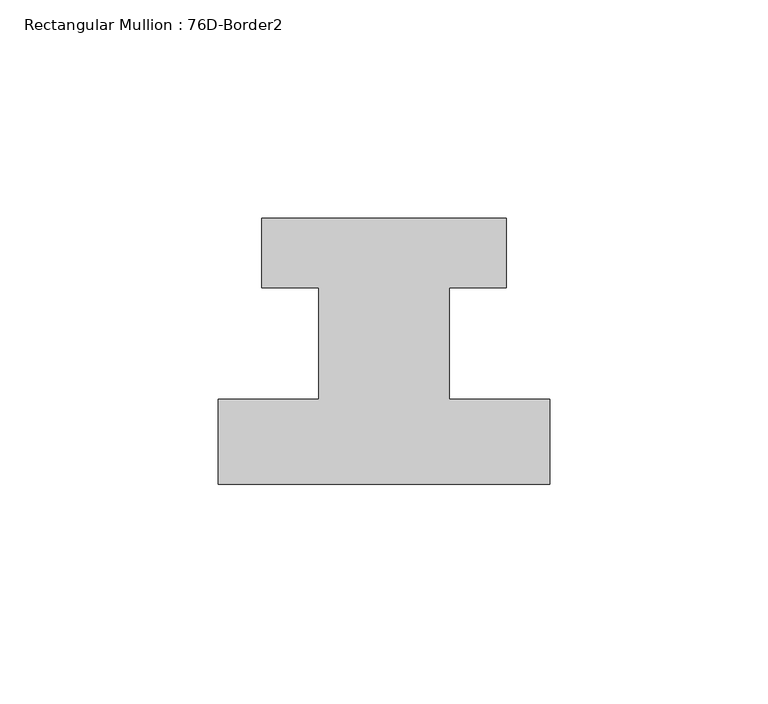
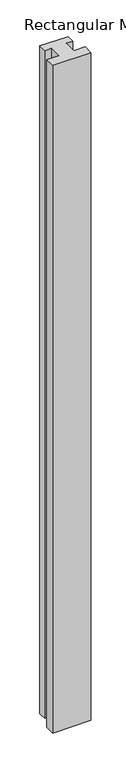
"""IFC4 building model written with IfcOpenShell, lengths in millimetres: member geometry, Rectangular Mullion : 76D-Border2."""

import ifcopenshell
import ifcopenshell.guid

model = None  # the IFC model being written
_history = None  # IfcOwnerHistory: only IFC2X3 demands one
_inside = {}  # id of a spatial element -> (the spatial element, [elements in it])
_under = {}  # id of a project, library or spatial element -> (it, [spatial elements below it])
_declared = {}  # id of a project -> (the project, [libraries it declares])
_typed = {}  # id of a type object -> (the type object, [elements of that type])
_made_of = {}  # id of a material, layer set ... -> (it, [elements and type objects made of it])


def new_model(schema):
    """Start an empty IFC model of exactly this schema.

    Asked for "IFC4X3", IfcOpenShell would pick the latest addendum, in which some entities
    have other attributes; the version numbers below select the first issue.
    IFC2X3 requires an IfcOwnerHistory on every rooted entity: one is made here for all.
    """
    global model, _history
    if schema == "IFC4X3":
        model = ifcopenshell.file(schema_version=(4, 3, 0, 0))
    else:
        model = ifcopenshell.file(schema=schema)
    _inside.clear()
    _under.clear()
    _declared.clear()
    _typed.clear()
    _made_of.clear()
    _history = None
    if model.schema == "IFC2X3":
        org = make("IfcOrganization", Name="unknown")
        user = make(
            "IfcPersonAndOrganization",
            ThePerson=make("IfcPerson", FamilyName="unknown"),
            TheOrganization=org,
        )
        app = make(
            "IfcApplication",
            ApplicationDeveloper=org,
            Version="unknown",
            ApplicationFullName="unknown",
            ApplicationIdentifier="unknown",
        )
        _history = make(
            "IfcOwnerHistory",
            OwningUser=user,
            OwningApplication=app,
            ChangeAction="ADDED",
            CreationDate=0,
        )
    return model


def make(cls, **values):
    """One entity of the class cls with the attributes given. An attribute that is None is left unset."""
    return model.create_entity(
        cls, **{name: value for name, value in values.items() if value is not None}
    )


def rooted(cls, **values):
    """An entity with a GlobalId (a new one), such as an element, a storey or a relation."""
    return make(cls, GlobalId=ifcopenshell.guid.new(), OwnerHistory=_history, **values)


def si_unit(unit_type, name, prefix=None):
    """IfcSIUnit, for example si_unit("LENGTHUNIT", "METRE", prefix="MILLI")."""
    return make("IfcSIUnit", UnitType=unit_type, Prefix=prefix, Name=name)


def assignment(units):
    """IfcUnitAssignment: the units of a project."""
    return None if units is None else make("IfcUnitAssignment", Units=units)


def point(xyz):
    """IfcCartesianPoint."""
    return None if xyz is None else make("IfcCartesianPoint", Coordinates=xyz)


def direction(xyz):
    """IfcDirection."""
    return None if xyz is None else make("IfcDirection", DirectionRatios=xyz)


def frame(location, z_axis=None, x_axis=None):
    """IfcAxis2Placement3D, a coordinate frame: its origin and axes. An axis left out is left unset."""
    return make(
        "IfcAxis2Placement3D",
        Location=point(location),
        Axis=direction(z_axis),
        RefDirection=direction(x_axis),
    )


def origin():
    """The frame at (0, 0, 0) with its axes left unset."""
    return frame((0.0, 0.0, 0.0))


def place(relative_to, where):
    """IfcLocalPlacement: puts the frame where relative to a parent placement (None: the world)."""
    return make(
        "IfcLocalPlacement", PlacementRelTo=relative_to, RelativePlacement=where
    )


def context(
    kind, dimensions, precision=None, world=None, true_north=None, identifier=None
):
    """IfcGeometricRepresentationContext, for example the 3D "Model" context."""
    return make(
        "IfcGeometricRepresentationContext",
        ContextIdentifier=identifier,
        ContextType=kind,
        CoordinateSpaceDimension=dimensions,
        Precision=precision,
        WorldCoordinateSystem=world,
        TrueNorth=true_north,
    )


def project(units=None, contexts=None):
    """IfcProject with its units and contexts."""
    return rooted(
        "IfcProject",
        Name="project",
        RepresentationContexts=contexts,
        UnitsInContext=assignment(units),
    )


def spatial(cls, under=None, at=None, **own):
    """A site, building, storey or space (cls), placed at a placement, below another one or the project."""
    s = rooted(cls, ObjectPlacement=at, **own)
    if under is not None:
        _under.setdefault(under.id(), (under, []))[1].append(s)
    return s


def polyline(points):
    """IfcPolyline through the points."""
    return make("IfcPolyline", Points=[point(p) for p in points])


def outline(outer, holes=None, kind="AREA"):
    """IfcArbitraryClosedProfileDef: a profile drawn as a closed curve; with holes, ...WithVoids."""
    if holes is None:
        return make("IfcArbitraryClosedProfileDef", ProfileType=kind, OuterCurve=outer)
    return make(
        "IfcArbitraryProfileDefWithVoids",
        ProfileType=kind,
        OuterCurve=outer,
        InnerCurves=holes,
    )


def extrude(swept, where, along, depth):
    """IfcExtrudedAreaSolid: the profile swept, set in the frame where, extruded along a direction by depth."""
    return make(
        "IfcExtrudedAreaSolid",
        SweptArea=swept,
        Position=where,
        ExtrudedDirection=direction(along),
        Depth=depth,
    )


def shape(context_of_items, identifier, shape_type, items):
    """IfcShapeRepresentation: the items that make up one representation, for example the "Body"."""
    return make(
        "IfcShapeRepresentation",
        ContextOfItems=context_of_items,
        RepresentationIdentifier=identifier,
        RepresentationType=shape_type,
        Items=items,
    )


def source(mapping_origin, context_of_items, identifier, shape_type, items):
    """IfcRepresentationMap: a shape defined once, which mapped items show again and again."""
    return make(
        "IfcRepresentationMap",
        MappingOrigin=mapping_origin,
        MappedRepresentation=shape(context_of_items, identifier, shape_type, items),
    )


def transform(
    local_origin,
    x_axis=None,
    y_axis=None,
    z_axis=None,
    scale=None,
    scale2=None,
    scale3=None,
    uniform=True,
):
    """IfcCartesianTransformationOperator3D, or its non-uniform kind. x_axis, y_axis, z_axis: its Axis1, 2, 3."""
    if uniform:
        return make(
            "IfcCartesianTransformationOperator3D",
            Axis1=direction(x_axis),
            Axis2=direction(y_axis),
            LocalOrigin=point(local_origin),
            Scale=scale,
            Axis3=direction(z_axis),
        )
    return make(
        "IfcCartesianTransformationOperator3DnonUniform",
        Axis1=direction(x_axis),
        Axis2=direction(y_axis),
        LocalOrigin=point(local_origin),
        Scale=scale,
        Axis3=direction(z_axis),
        Scale2=scale2,
        Scale3=scale3,
    )


def mapped(mapping_source, mapping_target):
    """IfcMappedItem: shows the shape of a source again, moved by a transform."""
    return make(
        "IfcMappedItem", MappingSource=mapping_source, MappingTarget=mapping_target
    )


def made_of(thing, what):
    """Note that an element or type object is made of a material, layer set ...; save() writes the relation."""
    if what is not None:
        _made_of.setdefault(what.id(), (what, []))[1].append(thing)
    return thing


def element(
    cls,
    number,
    at=None,
    inside=None,
    cuts=None,
    type_object=None,
    material=None,
    context=None,
    identifier="Body",
    shape_type=None,
    held_by="IfcProductDefinitionShape",
    body=None,
    shapes=None,
    **own,
):
    """One element of the class cls, such as IfcWall. Its Tag is "e" and its number.

    at: its placement. inside: the storey or other place that contains it. cuts: it is an
    opening in that element (IfcRelVoidsElement). A single representation is given by context,
    identifier, shape_type and body (its items); several are given by shapes. held_by: the class
    of the entity that holds the representations. save() writes the other relations.
    """
    e = rooted(cls, Tag="e%d" % number, ObjectPlacement=at, **own)
    if body is not None:
        shapes = [shape(context, identifier, shape_type, body)]
    if shapes is not None:
        e.Representation = make(held_by, Representations=shapes)
    if inside is not None:
        _inside.setdefault(inside.id(), (inside, []))[1].append(e)
    if cuts is not None:
        rooted(
            "IfcRelVoidsElement", RelatingBuildingElement=cuts, RelatedOpeningElement=e
        )
    if type_object is not None:
        _typed.setdefault(type_object.id(), (type_object, []))[1].append(e)
    return made_of(e, material)


def aggregate(whole, parts):
    """IfcRelAggregates: a whole, such as a stair, and the parts it consists of."""
    return rooted("IfcRelAggregates", RelatingObject=whole, RelatedObjects=parts)


def save(model, path):
    """Write the relations noted so far, then the file.

    IfcRelAggregates (storeys below a building ...), IfcRelContainedInSpatialStructure (elements
    in a storey), IfcRelDefinesByType, IfcRelAssociatesMaterial and IfcRelDeclares: one each for
    every whole, place, type object, material and project.
    """
    for whole, parts in _under.values():
        aggregate(whole, parts)
    for where, things in _inside.values():
        rooted(
            "IfcRelContainedInSpatialStructure",
            RelatedElements=things,
            RelatingStructure=where,
        )
    for kind, things in _typed.values():
        rooted("IfcRelDefinesByType", RelatedObjects=things, RelatingType=kind)
    for what, things in _made_of.values():
        rooted("IfcRelAssociatesMaterial", RelatedObjects=things, RelatingMaterial=what)
    for by, libraries in _declared.values():
        rooted("IfcRelDeclares", RelatingContext=by, RelatedDefinitions=libraries)
    model.write(path)


def rectangular_mullion_76d_border2_836c060a(model_context):
    return source(origin(), model_context, "Body", "SweptSolid", [
        extrude(outline(polyline([(0.0, -20.0), (-76.0, -20.0), (-76.0, -0.5), (-53.0, -0.5), (-53.0, 25.0), (-66.0, 25.0), (-66.0, 41.0), (-10.0, 41.0), (-10.0, 25.0), (-23.0, 25.0), (-23.0, -0.5), (0.0, -0.5), (0.0, -20.0)])), frame((0.0, 0.0, -1400.0), z_axis=(0.0, 0.0, 1.0), x_axis=(1.0, 0.0, 0.0)), (0.0, 0.0, 1.0), 1400.0),
    ])


if __name__ == "__main__":
    model = new_model("IFC4")
    model_context = context("Model", 3, world=origin())
    ifc_project = project(units=[si_unit("LENGTHUNIT", "METRE", prefix="MILLI")], contexts=[model_context])
    site = spatial("IfcSite", under=ifc_project)
    building = spatial("IfcBuilding", under=site)
    placement = place(None, origin())
    rectangular_mullion_76d_border2_shape = rectangular_mullion_76d_border2_836c060a(model_context)
    element("IfcMember", 1, ObjectType="Rectangular Mullion : 76D-Border2", at=placement, inside=building, context=model_context, shape_type="MappedRepresentation", body=[
        mapped(rectangular_mullion_76d_border2_shape, transform((0.0, 0.0, 0.0), x_axis=(1.0, 0.0, 0.0), y_axis=(0.0, 1.0, 0.0), z_axis=(0.0, 0.0, 1.0))),
    ])
    save(model, "model.ifc")
